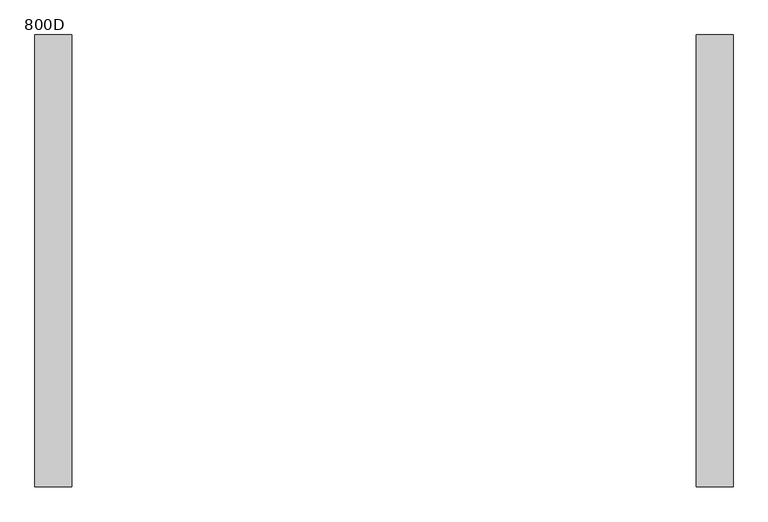
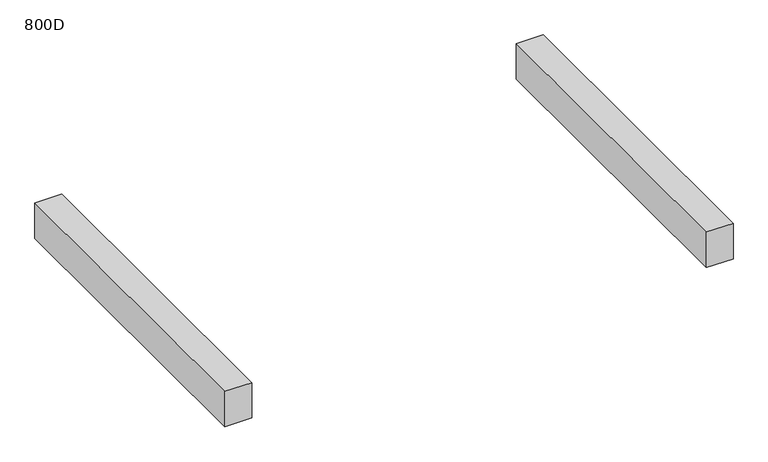
"""IFC4 building model written with IfcOpenShell, lengths in millimetres: furniture geometry, 800D."""

from ifc_helpers import new_model, si_unit, frame, origin, place, context, project, spatial, polyline, outline, extrude, source, transform, mapped, element, save


def furniture_800d_bca174ec(model_context):
    return source(origin(), model_context, "Body", "SweptSolid", [
        extrude(outline(polyline([(-509.9999968, -369.0), (-570.0, -369.0), (-570.0, 369.0), (-509.9999968, 369.0), (-509.9999968, -369.0)])), frame((0.0, 0.0, 435.0), z_axis=(0.0, 0.0, 1.0), x_axis=(1.0, 0.0, 0.0)), (0.0, 0.0, 1.0), 84.0),
        extrude(outline(polyline([(570.0, -369.0), (509.9999968, -369.0), (509.9999968, 369.0), (570.0, 369.0), (570.0, -369.0)])), frame((0.0, 0.0, 435.0), z_axis=(0.0, 0.0, 1.0), x_axis=(1.0, 0.0, 0.0)), (0.0, 0.0, 1.0), 84.0),
    ])


if __name__ == "__main__":
    model = new_model("IFC4")
    model_context = context("Model", 3, world=origin())
    ifc_project = project(units=[si_unit("LENGTHUNIT", "METRE", prefix="MILLI")], contexts=[model_context])
    site = spatial("IfcSite", under=ifc_project)
    building = spatial("IfcBuilding", under=site)
    placement = place(None, origin())
    furniture_800d_shape = furniture_800d_bca174ec(model_context)
    element("IfcFurniture", 1, ObjectType="800D", at=placement, inside=building, context=model_context, shape_type="MappedRepresentation", body=[
        mapped(furniture_800d_shape, transform((0.0, 0.0, 0.0), x_axis=(1.0, 0.0, 0.0), y_axis=(0.0, 1.0, 0.0), z_axis=(0.0, 0.0, 1.0))),
    ])
    save(model, "model.ifc")
